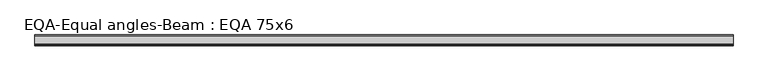
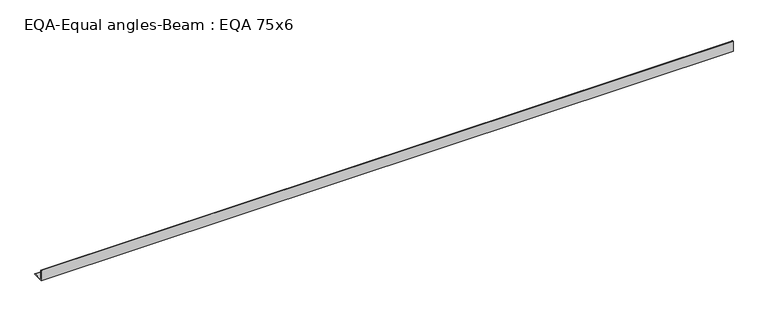
"""IFC4 building model written with IfcOpenShell, lengths in millimetres: beam geometry, EQA-Equal angles-Beam : EQA 75x6."""

from ifc_helpers import new_model, si_unit, point, frame, frame_2d, origin, place, context, project, spatial, polyline, circle_curve, trimmed, segment, composite_curve, outline, extrude, source, transform, mapped, element, save


def eqa_equal_angles_beam_eqa_75x6_f2f48dc1(model_context):
    return source(origin(), model_context, "Body", "SweptSolid", [
        extrude(outline(composite_curve([segment(polyline([(-20.5, -20.5), (-20.5, 54.5), (-19.0, 54.5)]), True, "CONTINUOUS"), segment(trimmed(circle_curve(frame_2d((-19.0, 50.0)), 4.5), [point((-19.0, 54.5))], [point((-14.5, 50.0))], False, "CARTESIAN"), True, "CONTINUOUS"), segment(polyline([(-14.5, 50.0), (-14.5, -5.5)]), True, "CONTINUOUS"), segment(trimmed(circle_curve(frame_2d((-5.5, -5.5)), 9.0), [point((-14.5, -5.5))], [point((-5.5, -14.5))], True, "CARTESIAN"), True, "CONTINUOUS"), segment(polyline([(-5.5, -14.5), (50.0, -14.5)]), True, "CONTINUOUS"), segment(trimmed(circle_curve(frame_2d((50.0, -19.0)), 4.5), [point((50.0, -14.5))], [point((54.5, -19.0))], False, "CARTESIAN"), True, "CONTINUOUS"), segment(polyline([(54.5, -19.0), (54.5, -20.5), (-20.5, -20.5)]), True, "CONTINUOUS")], self_intersect=False)), frame((-2375.6427237, 0.0, 0.0), z_axis=(1.0, 0.0, 0.0), x_axis=(0.0, 1.0, 0.0)), (0.0, 0.0, 1.0), 4760.8460579),
    ])


if __name__ == "__main__":
    model = new_model("IFC4")
    model_context = context("Model", 3, world=origin())
    ifc_project = project(units=[si_unit("LENGTHUNIT", "METRE", prefix="MILLI")], contexts=[model_context])
    site = spatial("IfcSite", under=ifc_project)
    building = spatial("IfcBuilding", under=site)
    placement = place(None, origin())
    eqa_equal_angles_beam_eqa_75x6_shape = eqa_equal_angles_beam_eqa_75x6_f2f48dc1(model_context)
    element("IfcBeam", 1, ObjectType="EQA-Equal angles-Beam : EQA 75x6", at=placement, inside=building, context=model_context, shape_type="MappedRepresentation", body=[
        mapped(eqa_equal_angles_beam_eqa_75x6_shape, transform((0.0, 0.0, 0.0), x_axis=(1.0, 0.0, 0.0), y_axis=(0.0, 1.0, 0.0), z_axis=(0.0, 0.0, 1.0))),
    ])
    save(model, "model.ifc")
